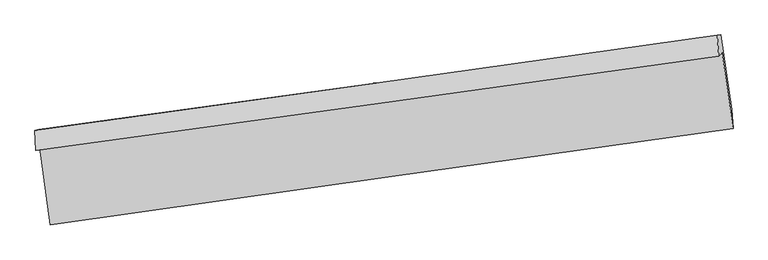
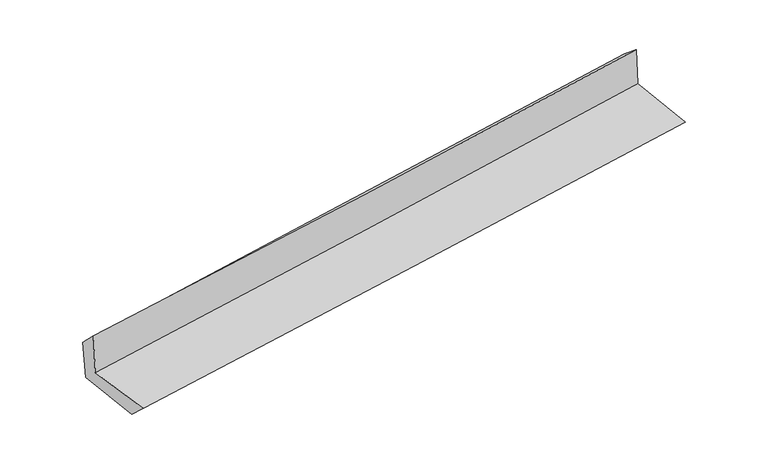
"""IFC4 building model written with IfcOpenShell, lengths in millimetres: proxy geometry."""

from ifc_helpers import new_model, si_unit, frame, origin, place, context, project, spatial, source, transform, mapped, element, save
from ifc_brep_helpers import plane_surface, spline_curve, spline_surface, advanced_brep


def generic_models_d2fcb997(model_context):
    return source(origin(), model_context, "Body", "AdvancedBrep", [
        advanced_brep(
        [(-3002.5459596, -1917.4968741, 1664.0848655), (-2909.9347998, -2593.8247619, 1660.7341919), (3051.4801959, -1752.9308341, 2126.0999692), (2955.4804056, -1087.8130703, 2164.5698876), (-3035.1827151, -1942.8654824, 2085.0492223), (2925.8484811, -1119.0743771, 2560.1220718), (-3043.8620796, -1769.9489301, 1911.0062408), (2913.427575, -937.309948, 2409.870253), (-3011.5065628, -1762.3022502, 1521.5317978), (2945.7212194, -932.8959206, 2026.8851485), (-2920.3768617, -2409.8077996, 1489.5762732), (3039.7181007, -1587.5306976, 1994.722283)],
        [
            (0, 1),
            (1, 2, spline_curve(3, [(-2909.9347998, -2593.8247619, 1660.7341919), (-1915.966223806, -2453.331213614, 1733.165649754), (-922.177924246, -2313.007210801, 1808.163477839), (1064.960379231, -2032.709261296, 1963.28580511), (2058.310411816, -1892.73528826, 2043.409902801), (3051.4801959, -1752.9308341, 2126.0999692)], [4, 2, 4], [0.0, 9.904182441826936, 19.807589951285383])),
            (2, 3),
            (3, 0, spline_curve(3, [(2955.4804056, -1087.8130703, 2164.5698876), (1963.269196097, -1226.896898721, 2073.445942369), (970.68083371, -1365.576440498, 1986.178365565), (-1015.327895732, -1642.137772011, 1819.349421185), (-2008.748321541, -1780.019497665, 1739.78865764), (-3002.5459596, -1917.4968741, 1664.0848655)], [4, 2, 4], [0.0, 9.903407509458447, 19.807589951285383])),
            (4, 0),
            (3, 5),
            (5, 4, spline_curve(3, [(2925.8484811, -1119.0743771, 2560.1220718), (1933.873953898, -1259.412212794, 2468.191773574), (941.153554383, -1398.227763203, 2382.638519402), (-1045.856727589, -1672.825036666, 2224.279905134), (-2040.14672675, -1808.60652119, 2151.47554249), (-3035.1827151, -1942.8654824, 2085.0492223)], [4, 2, 4], [0.0, 9.901879498973512, 19.804533810750126])),
            (6, 4),
            (5, 7),
            (7, 6, spline_curve(3, [(2913.427575, -937.309948, 2409.870253), (1920.337749718, -1075.552325534, 2328.607570252), (927.371449943, -1214.057371482, 2246.405891078), (-1058.391787361, -1491.603657562, 2080.118033842), (-2051.188706054, -1630.644939187, 1996.031709122), (-3043.8620796, -1769.9489301, 1911.0062408)], [4, 2, 4], [0.0, 9.901412723653532, 19.803600223585434])),
            (8, 6),
            (7, 9),
            (9, 8, spline_curve(3, [(2945.7212194, -932.8959206, 2026.8851485), (1953.448941982, -1071.563891325, 1936.664751723), (960.896587809, -1210.012375297, 1849.443304513), (-1024.845962418, -1486.481186393, 1680.991718156), (-2018.036202262, -1624.501478834, 1599.762048707), (-3011.5065628, -1762.3022502, 1521.5317978)], [4, 2, 4], [0.0, 9.900968992170649, 19.802712725898093])),
            (10, 8),
            (9, 11),
            (11, 10, spline_curve(3, [(3039.7181007, -1587.5306976, 1994.722283), (2046.600527837, -1722.573529657, 1904.654813588), (1053.386596505, -1858.615317709, 1817.527110028), (-933.311709106, -2132.707529001, 1649.144646944), (-1926.796098687, -2270.758108217, 1567.89034696), (-2920.3768617, -2409.8077996, 1489.5762732)], [4, 2, 4], [0.0, 9.902549274146152, 19.805873413504685])),
            (1, 10),
            (11, 2),
        ],
        [
            spline_surface(3, 3, [[(-3002.5459596, -1917.4968741, 1664.0848655), (-2008.748321666, -1780.019497828, 1739.78865752), (-1015.327895695, -1642.137771848, 1819.34942125), (970.680833673, -1365.576440661, 1986.178365501), (1963.269196114, -1226.896898669, 2073.445942445), (2955.4804056, -1087.8130703, 2164.5698876)], [(-2971.675572998, -2142.93950338, 1662.967974296), (-1977.820955752, -2004.456736478, 1737.580988288), (-984.27790525, -1865.760918149, 1815.62077343), (1002.107348886, -1587.954047555, 1978.547512053), (1994.949601293, -1448.84302857, 2063.433929274), (2987.480335691, -1309.518991554, 2151.746581465)], [(-2940.805186402, -2368.38213262, 1661.851083104), (-1946.893589844, -2228.893975088, 1735.373319069), (-953.227914788, -2089.384064452, 1811.892125611), (1033.533864116, -1810.33165445, 1970.916658606), (2026.6300065, -1670.789158509, 2053.42191611), (3019.480265809, -1531.224912846, 2138.923275335)], [(-2909.9347998, -2593.8247619, 1660.7341919), (-1915.96622393, -2453.331213738, 1733.165649837), (-922.177924344, -2313.007210754, 1808.163477791), (1064.960379329, -2032.709261344, 1963.285805158), (2058.310411678, -1892.735288409, 2043.409902939), (3051.4801959, -1752.9308341, 2126.0999692)]], [4, 4], [4, 2, 4], [0.0, 2.217021278816725], [0.0, 9.904182441826936, 19.807589951285383]),
            spline_surface(3, 3, [[(-3035.1827151, -1942.8654824, 2085.0492223), (-2040.146726734, -1808.606521301, 2151.475542432), (-1045.856727605, -1672.825036607, 2224.279905011), (941.153554399, -1398.227763263, 2382.638519525), (1933.873953997, -1259.412212857, 2468.191773488), (2925.8484811, -1119.0743771, 2560.1220718)], [(-3024.303796597, -1934.409279622, 1944.727770008), (-2029.680591708, -1799.077513465, 2014.24658077), (-1035.680450303, -1662.595948352, 2089.303077091), (950.995980823, -1387.34398906, 2250.48513485), (1943.67236803, -1248.573774802, 2336.609829817), (2935.72578926, -1108.653941508, 2428.271343743)], [(-3013.424878103, -1925.953076878, 1804.406317792), (-2019.214456692, -1789.548505663, 1877.017619183), (-1025.504172997, -1652.366860103, 1954.32624917), (960.838407249, -1376.460214864, 2118.331750176), (1953.470782082, -1237.735336724, 2205.027886116), (2945.60309744, -1098.233505892, 2296.420615657)], [(-3002.5459596, -1917.4968741, 1664.0848655), (-2008.748321666, -1780.019497828, 1739.78865752), (-1015.327895695, -1642.137771848, 1819.34942125), (970.680833673, -1365.576440661, 1986.178365501), (1963.269196114, -1226.896898669, 2073.445942445), (2955.4804056, -1087.8130703, 2164.5698876)]], [4, 4], [4, 2, 4], [0.0, 1.3223926915751063], [0.0, 9.902654311776613, 19.804533810750126]),
            spline_surface(3, 3, [[(-3043.8620796, -1769.9489301, 1911.0062408), (-2051.188705957, -1630.644939268, 1996.031709091), (-1058.391787463, -1491.603657656, 2080.118033908), (927.371450045, -1214.057371388, 2246.405891012), (1920.337749799, -1075.552325653, 2328.607570273), (2913.427575, -937.309948, 2409.870253)], [(-3040.968958108, -1827.587780867, 1969.020567979), (-2047.508046224, -1689.965466613, 2047.846320217), (-1054.213434168, -1552.01078398, 2128.17199094), (931.965484838, -1275.44750202, 2291.816767181), (1924.849817886, -1136.838954731, 2375.135638007), (2917.567877054, -997.898091043, 2459.954192596)], [(-3038.075836592, -1885.226631633, 2027.034895121), (-2043.827386467, -1749.285993956, 2099.660931306), (-1050.0350809, -1612.417910282, 2176.225947979), (936.559519606, -1336.83763263, 2337.227643356), (1929.361885911, -1198.125583779, 2421.663705753), (2921.708179046, -1058.486234057, 2510.038132204)], [(-3035.1827151, -1942.8654824, 2085.0492223), (-2040.146726734, -1808.606521301, 2151.475542432), (-1045.856727605, -1672.825036607, 2224.279905011), (941.153554399, -1398.227763263, 2382.638519525), (1933.873953997, -1259.412212857, 2468.191773488), (2925.8484811, -1119.0743771, 2560.1220718)]], [4, 4], [4, 2, 4], [0.0, 0.7567742588703255], [0.0, 9.902187499931902, 19.803600223585434]),
            spline_surface(3, 3, [[(-3011.5065628, -1762.3022502, 1521.5317978), (-2018.036202295, -1624.501478771, 1599.762048588), (-1024.845962419, -1486.481186292, 1680.99171821), (960.896587811, -1210.012375397, 1849.443304458), (1953.448942009, -1071.563891365, 1936.664751737), (2945.7212194, -932.8959206, 2026.8851485)], [(-3022.291735054, -1764.851143497, 1651.356612121), (-2029.087036837, -1626.549298933, 1731.85193541), (-1036.027904097, -1488.18867676, 1814.033823467), (949.721541892, -1211.360707408, 1981.764166667), (1942.41187793, -1072.893369459, 2067.312357899), (2934.956671258, -934.367263065, 2154.546849983)], [(-3033.076907346, -1767.400036803, 1781.181426479), (-2040.137871416, -1628.597119106, 1863.941822269), (-1047.209845785, -1489.896167188, 1947.075928651), (938.546495963, -1212.709039378, 2114.085028804), (1931.374813878, -1074.222847559, 2197.959964111), (2924.192123142, -935.838605535, 2282.208551517)], [(-3043.8620796, -1769.9489301, 1911.0062408), (-2051.188705957, -1630.644939268, 1996.031709091), (-1058.391787463, -1491.603657656, 2080.118033908), (927.371450045, -1214.057371388, 2246.405891012), (1920.337749799, -1075.552325653, 2328.607570273), (2913.427575, -937.309948, 2409.870253)]], [4, 4], [4, 2, 4], [0.0, 1.3106332953626099], [0.0, 9.901743733727445, 19.802712725898093]),
            spline_surface(3, 3, [[(-2920.3768617, -2409.8077996, 1489.5762732), (-1926.79609859, -2270.758108141, 1567.890347109), (-933.311709149, -2132.707528845, 1649.14464681), (1053.386596548, -1858.615317865, 1817.527110163), (2046.600527951, -1722.573529802, 1904.654813727), (3039.7181007, -1587.5306976, 1994.722283)], [(-2950.753428742, -2193.97261648, 1500.228114764), (-1957.209466501, -2055.339231698, 1578.514247633), (-963.823126899, -1917.298747998, 1659.76033728), (1022.556593643, -1642.414337047, 1828.165841598), (2015.549999313, -1505.570316979, 1915.324793093), (3008.385806943, -1369.319105256, 2005.443238196)], [(-2981.129995758, -1978.13743332, 1510.879956236), (-1987.622834385, -1839.920355214, 1589.138148064), (-994.334544669, -1701.889967139, 1670.37602774), (991.726590716, -1426.213356215, 1838.804573023), (1984.499470647, -1288.567104188, 1925.994772371), (2977.053513157, -1151.107512944, 2016.164193304)], [(-3011.5065628, -1762.3022502, 1521.5317978), (-2018.036202295, -1624.501478771, 1599.762048588), (-1024.845962419, -1486.481186292, 1680.99171821), (960.896587811, -1210.012375397, 1849.443304458), (1953.448942009, -1071.563891365, 1936.664751737), (2945.7212194, -932.8959206, 2026.8851485)]], [4, 4], [4, 2, 4], [0.0, 2.1479562893935826], [0.0, 9.903324139358533, 19.805873413504685]),
            spline_surface(3, 3, [[(-2909.9347998, -2593.8247619, 1660.7341919), (-1915.96622393, -2453.331213738, 1733.165649837), (-922.177924344, -2313.007210754, 1808.163477791), (1064.960379329, -2032.709261344, 1963.285805158), (2058.310411678, -1892.735288409, 2043.409902939), (3051.4801959, -1752.9308341, 2126.0999692)], [(-2913.415487101, -2532.485774454, 1603.681552332), (-1919.576182151, -2392.47351186, 1678.073882259), (-925.889185958, -2252.907316761, 1755.157200772), (1061.102451723, -1974.677946827, 1914.699573468), (2054.407117097, -1836.014702215, 1997.158206518), (3047.559497494, -1697.797455275, 2082.307407117)], [(-2916.896174399, -2471.146787046, 1546.628912768), (-1923.186140369, -2331.615810019, 1622.982114686), (-929.600447535, -2192.807422838, 1702.150923828), (1057.244524154, -1916.646632381, 1866.113341853), (2050.503822533, -1779.294115996, 1950.906510147), (3043.638799106, -1642.664076425, 2038.514845083)], [(-2920.3768617, -2409.8077996, 1489.5762732), (-1926.79609859, -2270.758108141, 1567.890347109), (-933.311709149, -2132.707528845, 1649.14464681), (1053.386596548, -1858.615317865, 1817.527110163), (2046.600527951, -1722.573529802, 1904.654813727), (3039.7181007, -1587.5306976, 1994.722283)]], [4, 4], [4, 2, 4], [0.0, 0.7676758584593868], [0.0, 9.905311128885455, 19.809847237090622]),
            plane_surface(frame((2971.9459963, -1236.2591413, 2213.7116022), z_axis=(0.9868605354512003, 0.13753388376104564, 0.0847980800877808), x_axis=(-0.08401717608993016, -0.01148381123972205, 0.9963981313718349))),
            plane_surface(frame((-2987.2348297, -2066.0410164, 1721.9970986), z_axis=(-0.9872538069402075, -0.1347675402080667, -0.08466186147454292), x_axis=(-0.13566470844808587, 0.9907426482006694, 0.004908351863972303))),
        ],
        [
            (0, [[1, 2, 3, 4]]),
            (1, [[5, -4, 6, 7]]),
            (2, [[8, -7, 9, 10]]),
            (3, [[11, -10, 12, 13]]),
            (4, [[14, -13, 15, 16]]),
            (5, [[17, -16, 18, -2]]),
            (6, [[-12, -9, -6, -3, -18, -15]]),
            (7, [[-1, -5, -8, -11, -14, -17]]),
        ],
    ),
    ])


if __name__ == "__main__":
    model = new_model("IFC4")
    model_context = context("Model", 3, world=origin())
    ifc_project = project(units=[si_unit("LENGTHUNIT", "METRE", prefix="MILLI")], contexts=[model_context])
    site = spatial("IfcSite", under=ifc_project)
    building = spatial("IfcBuilding", under=site)
    placement = place(None, origin())
    generic_models_shape = generic_models_d2fcb997(model_context)
    element("IfcBuildingElementProxy", 1, Name="Generic Models", at=placement, inside=building, context=model_context, shape_type="MappedRepresentation", body=[
        mapped(generic_models_shape, transform((0.0, 0.0, 0.0), x_axis=(1.0, 0.0, 0.0), y_axis=(0.0, 1.0, 0.0), z_axis=(0.0, 0.0, 1.0))),
    ])
    save(model, "model.ifc")
